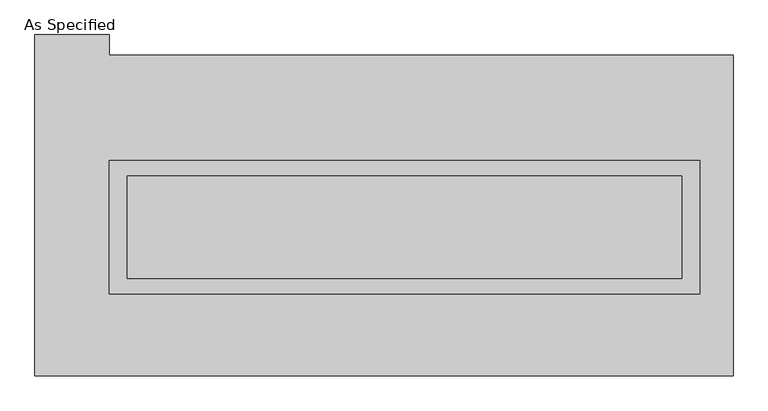
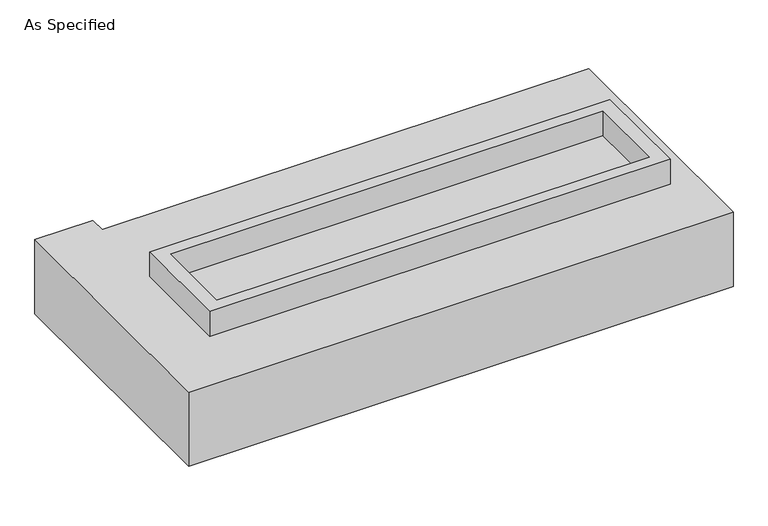
"""IFC4 building model written with IfcOpenShell, lengths in millimetres: proxy geometry, As Specified."""

from ifc_helpers import new_model, si_unit, frame, origin, place, context, project, spatial, polyline, outline, extrude, source, transform, mapped, element, save


def as_specified_ad1ca794(model_context):
    return source(origin(), model_context, "Body", "SweptSolid", [
        extrude(outline(polyline([(1460.5, 273.05), (1460.5, -387.35), (-1460.5, -387.35), (-1460.5, 273.05), (1460.5, 273.05)]), holes=[polyline([(1371.6, 196.85), (-1371.6, 196.85), (-1371.6, -311.15), (1371.6, -311.15), (1371.6, 196.85)])]), frame((0.0, 0.0, -688.975), z_axis=(0.0, 0.0, 1.0), x_axis=(1.0, 0.0, 0.0)), (0.0, 0.0, 1.0), 165.1),
        extrude(outline(polyline([(1460.5, 273.05), (1460.5, -387.35), (-1460.5, -387.35), (-1460.5, 273.05), (1460.5, 273.05)]), holes=[polyline([(1371.6, 196.85), (-1371.6, 196.85), (-1371.6, -311.15), (1371.6, -311.15), (1371.6, 196.85)])]), frame((0.0, 0.0, -25.4), z_axis=(0.0, 0.0, 1.0), x_axis=(1.0, 0.0, 0.0)), (0.0, 0.0, 1.0), 165.1),
        extrude(outline(polyline([(1371.6, 196.85), (1371.6, -311.15), (-1371.6, -311.15), (-1371.6, 196.85), (1371.6, 196.85)])), frame((0.0, 0.0, -523.875), z_axis=(0.0, 0.0, 1.0), x_axis=(1.0, 0.0, 0.0)), (0.0, 0.0, 1.0), 4.9609375),
        extrude(outline(polyline([(1371.6, 196.85), (1371.6, -311.15), (-1371.6, -311.15), (-1371.6, 196.85), (1371.6, 196.85)])), frame((0.0, 0.0, -30.3609375), z_axis=(0.0, 0.0, 1.0), x_axis=(1.0, 0.0, 0.0)), (0.0, 0.0, 1.0), 4.9609375),
        extrude(outline(polyline([(1625.6, -793.75), (-1828.8, -793.75), (-1828.8, 895.35), (-1460.5, 895.35), (-1460.5, 793.75), (1625.6, 793.75), (1625.6, -793.75)]), holes=[polyline([(-1460.5, 273.05), (-1460.5, -387.35), (1460.5, -387.35), (1460.5, 273.05), (-1460.5, 273.05)])]), frame((0.0, 0.0, -523.875), z_axis=(0.0, 0.0, 1.0), x_axis=(1.0, 0.0, 0.0)), (0.0, 0.0, 1.0), 498.475),
    ])


if __name__ == "__main__":
    model = new_model("IFC4")
    model_context = context("Model", 3, world=origin())
    ifc_project = project(units=[si_unit("LENGTHUNIT", "METRE", prefix="MILLI")], contexts=[model_context])
    site = spatial("IfcSite", under=ifc_project)
    building = spatial("IfcBuilding", under=site)
    placement = place(None, origin())
    as_specified_shape = as_specified_ad1ca794(model_context)
    element("IfcBuildingElementProxy", 1, Name="As Specified", ObjectType="As Specified", at=placement, inside=building, context=model_context, shape_type="MappedRepresentation", body=[
        mapped(as_specified_shape, transform((0.0, 0.0, 0.0), x_axis=(1.0, 0.0, 0.0), y_axis=(0.0, 1.0, 0.0), z_axis=(0.0, 0.0, 1.0))),
    ])
    save(model, "model.ifc")
